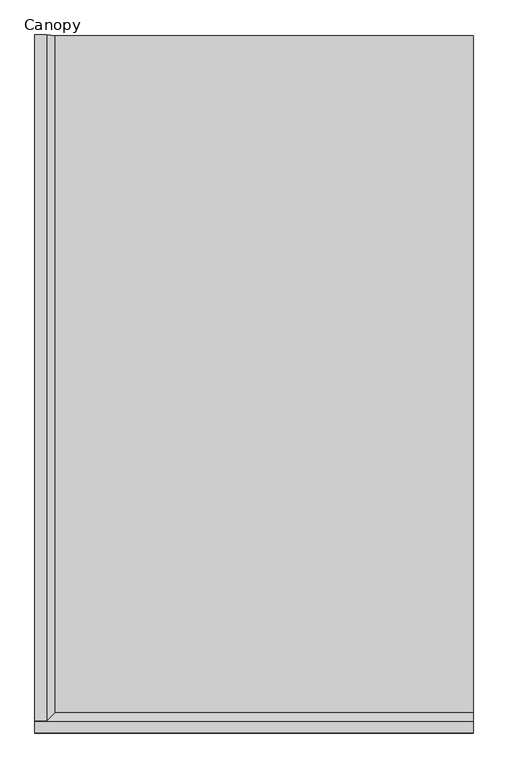
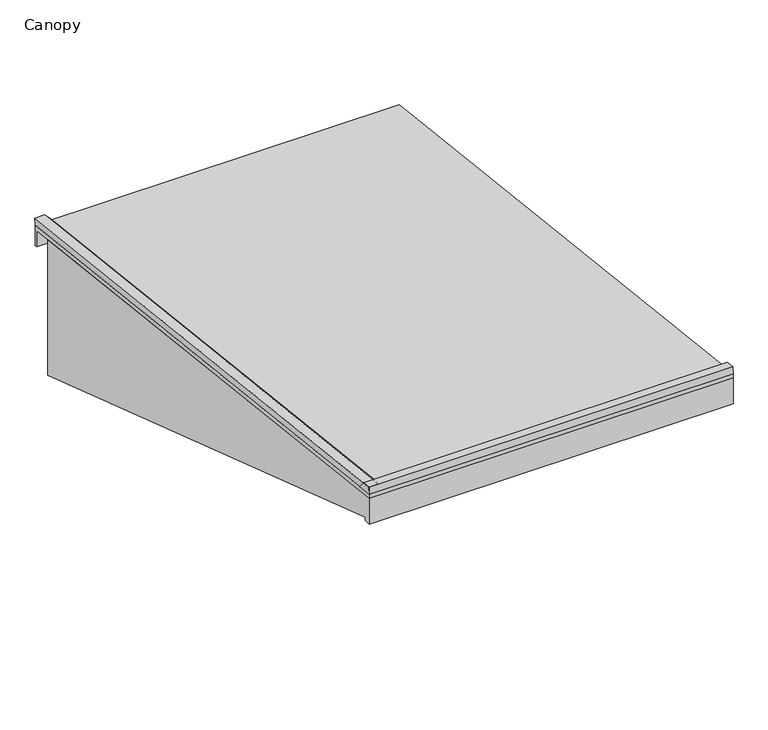
"""IFC4 building model written with IfcOpenShell, lengths in millimetres: proxy geometry, Canopy."""

from ifc_helpers import new_model, si_unit, frame, origin, place, context, project, spatial, polyline, outline, extrude, source, transform, mapped, element, save


def canopy_c6f865c0(model_context):
    return source(origin(), model_context, "Body", "SweptSolid", [
        extrude(outline(polyline([(-2992.4375, 3465.4132812), (-2990.7495361, 3503.569167), (-2940.1563087, 3497.7720264), (-2903.8993521, 3455.2682851), (-2992.4375, 3465.4132812)])), frame((-4267.2, 0.0, 0.0), z_axis=(1.0, 0.0, 0.0), x_axis=(0.0, 1.0, 0.0)), (0.0, 0.0, 1.0), 1917.7),
        extrude(outline(polyline([(55.5625, 3116.1632813), (55.5625, 3003.55), (42.8625, 3003.55), (42.8625, 3094.9484617), (-2992.4375, 3442.7432533), (-2992.4375, 3465.4132813), (55.5625, 3116.1632813)])), frame((-4267.2, 0.0, 0.0), z_axis=(1.0, 0.0, 0.0), x_axis=(0.0, 1.0, 0.0)), (0.0, 0.0, 1.0), 1917.7),
        extrude(outline(polyline([(-58.7375, 3106.5901283), (-58.7375, 2349.5), (-2954.3375, 3314.7), (-2954.3375, 3298.6776283), (-2992.4375, 3298.6776283), (-2992.4375, 3442.7432533), (-58.7375, 3106.5901283)])), frame((-4267.2, 0.0, 0.0), z_axis=(1.0, 0.0, 0.0), x_axis=(0.0, 1.0, 0.0)), (0.0, 0.0, 1.0), 1917.7),
        extrude(outline(polyline([(38.1932041, 0.0), (0.0, 0.0), (0.0, 50.8), (38.1932041, 88.9932041), (38.1932041, 0.0)])), frame((-4267.2, 59.8074984, 3154.1199875), z_axis=(0.0, -0.9934992729730003, 0.1138384583614861), x_axis=(0.0, -0.1138384583614861, -0.9934992729730003)), (0.0, 0.0, 1.0), 3067.8403355),
    ])


if __name__ == "__main__":
    model = new_model("IFC4")
    model_context = context("Model", 3, world=origin())
    ifc_project = project(units=[si_unit("LENGTHUNIT", "METRE", prefix="MILLI")], contexts=[model_context])
    site = spatial("IfcSite", under=ifc_project)
    building = spatial("IfcBuilding", under=site)
    placement = place(None, origin())
    canopy_shape = canopy_c6f865c0(model_context)
    element("IfcBuildingElementProxy", 1, Name="Canopy", ObjectType="Canopy", at=placement, inside=building, context=model_context, shape_type="MappedRepresentation", body=[
        mapped(canopy_shape, transform((0.0, 0.0, 0.0), x_axis=(1.0, 0.0, 0.0), y_axis=(0.0, 1.0, 0.0), z_axis=(0.0, 0.0, 1.0))),
    ])
    save(model, "model.ifc")
